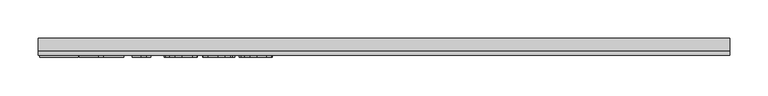
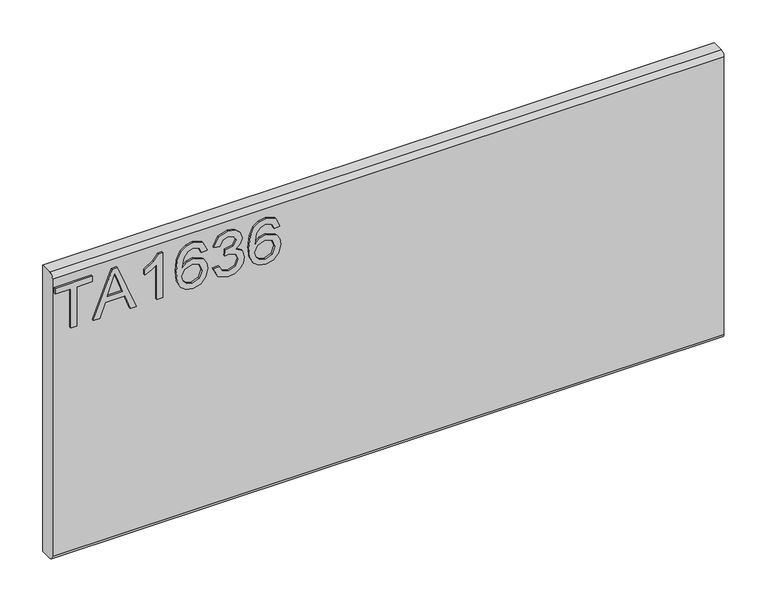
"""IFC4 building model written with IfcOpenShell, lengths in millimetres: furniture geometry."""

from ifc_helpers import new_model, si_unit, frame, origin, place, context, project, spatial, polyline, circle_curve, outline, extrude, source, transform, mapped, element, save
from ifc_brep_helpers import plane_surface, cylinder_surface, advanced_brep


def furniture_bb92e374(model_context):
    return source(origin(), model_context, "Body", "SolidModel", [
        extrude(outline(polyline([(882.65, -427.9255561), (882.65, -419.9518365), (938.4660373, -419.9518365), (938.4660373, -399.0208225), (946.4397569, -399.0208225), (946.4397569, -448.8565701), (938.4660373, -448.8565701), (938.4660373, -427.9255561), (882.65, -427.9255561)])), frame((0.0, -15.0812439, 0.0), z_axis=(0.0, 1.0, 0.0), x_axis=(0.0, 0.0, 1.0)), (0.0, 0.0, 1.0), 2.38125),
        extrude(outline(polyline([(882.65, -397.479029), (882.65, -389.053673), (902.584299, -381.7651949), (902.584299, -355.4924117), (882.65, -348.1883599), (882.65, -339.7630038), (946.4397569, -365.2259561), (946.4397569, -372.0160767), (882.65, -397.479029)]), holes=[polyline([(910.5580187, -378.8373447), (927.6111885, -372.5923026), (938.4660373, -368.6210164), (926.2407055, -364.1513728), (910.5580187, -358.4046882), (910.5580187, -378.8373447)])]), frame((0.0, -15.0812439, 0.0), z_axis=(0.0, 1.0, 0.0), x_axis=(0.0, 0.0, 1.0)), (0.0, 0.0, 1.0), 2.38125),
        extrude(outline(polyline([(882.65, -304.332902), (946.4397569, -304.332902), (946.4397569, -309.4722135), (937.9521062, -316.5660207), (930.4923177, -328.2540609), (922.9546609, -328.2540609), (926.9804549, -319.8598521), (932.3611582, -312.3066216), (882.65, -312.3066216), (882.65, -304.332902)])), frame((0.0, -15.0812439, 0.0), z_axis=(0.0, 1.0, 0.0), x_axis=(0.0, 0.0, 1.0)), (0.0, 0.0, 1.0), 2.38125),
        extrude(outline(polyline([(929.4956028, -244.5300049), (941.938966, -250.4168526), (946.4397569, -263.0159525), (944.6215308, -272.2706066), (939.1668525, -279.4150282), (928.3081103, -284.6477817), (912.4268592, -286.3920329), (898.3015395, -284.8210388), (888.8171738, -280.1080566), (883.4442572, -272.903287), (881.653285, -263.8569308), (884.355317, -253.4069974), (892.1421526, -246.1652403), (903.1449512, -243.5332899), (911.3172351, -244.9310269), (917.8309231, -249.1242379), (923.515313, -262.6733317), (921.4362279, -271.3868007), (915.0743833, -278.4183133), (929.2853582, -276.1523441), (936.5349021, -270.709346), (938.4660373, -263.51431), (935.1488454, -255.5250167), (928.4988878, -252.5037245), (929.4956028, -244.5300049)]), holes=[polyline([(903.2695406, -278.4183133), (912.15432, -274.454814), (915.5415934, -264.8069247), (912.15432, -255.0344461), (902.8801988, -251.5070095), (893.1933754, -255.0811671), (889.6270047, -264.4798776), (891.3478953, -271.6671268), (896.3626174, -276.5728332), (903.2695406, -278.4183133)])]), frame((0.0, -15.0812439, 0.0), z_axis=(0.0, 1.0, 0.0), x_axis=(0.0, 0.0, 1.0)), (0.0, 0.0, 1.0), 2.38125),
        extrude(outline(polyline([(899.5941542, -236.5562853), (886.6524335, -230.2178011), (881.653285, -216.2326444), (883.1172101, -207.7099529), (887.5089854, -200.7991364), (894.0032063, -196.220477), (901.7744681, -194.6942573), (912.1465331, -197.7466968), (917.597318, -206.4368053), (922.8767925, -199.8958634), (930.2275653, -197.6844021), (938.2713664, -200.012666), (944.2516562, -206.7404919), (946.4397569, -216.3572338), (942.0012607, -229.0342021), (929.4956028, -235.5595703), (928.4988878, -227.5858507), (935.9742499, -223.6768592), (938.4660373, -216.0769077), (935.9976105, -208.5703982), (929.7603552, -205.6581217), (922.7210558, -209.6761289), (920.5251682, -220.0014729), (912.5514486, -220.8891721), (913.4235742, -215.2982242), (910.16089, -206.2343476), (901.9146312, -202.6679769), (893.162228, -206.2654949), (889.6270047, -215.9523184), (892.1966604, -224.1830036), (900.5908691, -228.5825656), (899.5941542, -236.5562853)])), frame((0.0, -15.0812439, 0.0), z_axis=(0.0, 1.0, 0.0), x_axis=(0.0, 0.0, 1.0)), (0.0, 0.0, 1.0), 2.38125),
        extrude(outline(polyline([(929.4956028, -146.8519396), (941.938966, -152.7387872), (946.4397569, -165.3378872), (944.6215308, -174.5925413), (939.1668525, -181.7369629), (928.3081103, -186.9697164), (912.4268592, -188.7139676), (898.3015395, -187.1429735), (888.8171738, -182.4299913), (883.4442572, -175.2252216), (881.653285, -166.1788654), (884.355317, -155.7289321), (892.1421526, -148.487175), (903.1449512, -145.8552246), (911.3172351, -147.2529616), (917.8309231, -151.4461725), (923.515313, -164.9952664), (921.4362279, -173.7087354), (915.0743833, -180.7402479), (929.2853582, -178.4742788), (936.5349021, -173.0312807), (938.4660373, -165.8362447), (935.1488454, -157.8469514), (928.4988878, -154.8256592), (929.4956028, -146.8519396)]), holes=[polyline([(903.2695406, -180.7402479), (912.15432, -176.7767486), (915.5415934, -167.1288594), (912.15432, -157.3563807), (902.8801988, -153.8289442), (893.1933754, -157.4031017), (889.6270047, -166.8018123), (891.3478953, -173.9890615), (896.3626174, -178.8947679), (903.2695406, -180.7402479)])]), frame((0.0, -15.0812439, 0.0), z_axis=(0.0, 1.0, 0.0), x_axis=(0.0, 0.0, 1.0)), (0.0, 0.0, 1.0), 2.38125),
        advanced_brep(
        [(450.85, 9.5250061, 965.2), (450.85, -6.7309939, 965.2), (450.85, -12.6999939, 959.231), (450.85, -12.6999939, 564.769), (450.85, -6.7309939, 558.8), (450.85, 9.5250061, 558.8), (-450.85, 9.5250061, 965.2), (-450.85, 9.5250061, 558.8), (-450.85, -6.7309939, 558.8), (-450.85, -12.6999939, 564.769), (-450.85, -12.6999939, 959.2310121), (-450.85, -6.7309939, 965.2)],
        [
            (0, 1),
            (1, 2, circle_curve(frame((450.85, -6.7309939, 959.231), z_axis=(1.0, 0.0, 0.0), x_axis=(0.0, 1.0, 0.0)), 5.969)),
            (2, 3),
            (3, 4, circle_curve(frame((450.85, -6.7309939, 564.769), z_axis=(1.0, 0.0, 0.0), x_axis=(0.0, 1.0, 0.0)), 5.969)),
            (4, 5),
            (5, 0),
            (6, 7),
            (7, 8),
            (8, 9, circle_curve(frame((-450.85, -6.7309939, 564.769), z_axis=(-1.0, 0.0, 0.0), x_axis=(0.0, 1.0, 0.0)), 5.969)),
            (9, 10),
            (10, 11, circle_curve(frame((-450.85, -6.7309939, 959.231), z_axis=(-1.0, 0.0, 0.0), x_axis=(0.0, 1.0, 0.0)), 5.969)),
            (11, 6),
            (0, 6),
            (11, 1),
            (10, 2),
            (9, 3),
            (8, 4),
            (7, 5),
        ],
        [
            plane_surface(frame((450.85, -6.7309939, 965.2), z_axis=(1.0, 0.0, 0.0), x_axis=(0.0, -1.0, 0.0))),
            plane_surface(frame((-450.85, -6.7309939, 965.2), z_axis=(-1.0, 0.0, 0.0), x_axis=(0.0, 1.0, 0.0))),
            plane_surface(frame((450.85, 9.5250061, 965.2), z_axis=(0.0, 0.0, 1.0), x_axis=(-1.0, 0.0, 0.0))),
            cylinder_surface(frame((-450.85, -6.7309939, 959.231), z_axis=(1.0, 0.0, 0.0), x_axis=(0.0, 1.0, 0.0)), 5.969),
            plane_surface(frame((450.85, -12.6999939, 959.2310121), z_axis=(0.0, -1.0, 0.0), x_axis=(-1.0, 0.0, 0.0))),
            cylinder_surface(frame((-450.85, -6.7309939, 564.769), z_axis=(1.0, 0.0, 0.0), x_axis=(0.0, 1.0, 0.0)), 5.969),
            plane_surface(frame((450.85, -6.7309939, 558.8), z_axis=(0.0, 0.0, -1.0), x_axis=(-1.0, 0.0, 0.0))),
            plane_surface(frame((450.85, 9.5250061, 558.8), z_axis=(0.0, 1.0, 0.0), x_axis=(-1.0, 0.0, 0.0))),
        ],
        [
            (0, [[1, 2, 3, 4, 5, 6]]),
            (1, [[7, 8, 9, 10, 11, 12]]),
            (2, [[-1, 13, -12, 14]]),
            (3, [[-2, -14, -11, 15]]),
            (4, [[-3, -15, -10, 16]]),
            (5, [[-4, -16, -9, 17]]),
            (6, [[-5, -17, -8, 18]]),
            (7, [[-6, -18, -7, -13]]),
        ],
    ),
    ])


if __name__ == "__main__":
    model = new_model("IFC4")
    model_context = context("Model", 3, world=origin())
    ifc_project = project(units=[si_unit("LENGTHUNIT", "METRE", prefix="MILLI")], contexts=[model_context])
    site = spatial("IfcSite", under=ifc_project)
    building = spatial("IfcBuilding", under=site)
    placement = place(None, origin())
    furniture_shape = furniture_bb92e374(model_context)
    element("IfcFurniture", 1, at=placement, inside=building, context=model_context, shape_type="MappedRepresentation", body=[
        mapped(furniture_shape, transform((0.0, 0.0, 0.0), x_axis=(1.0, 0.0, 0.0), y_axis=(0.0, 1.0, 0.0), z_axis=(0.0, 0.0, 1.0))),
    ])
    save(model, "model.ifc")
